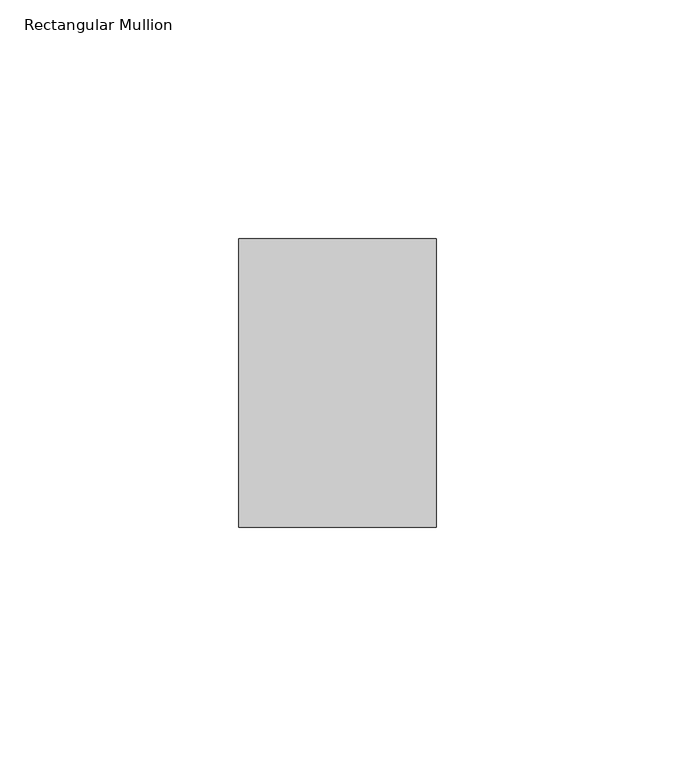
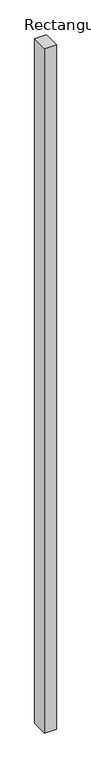
"""IFC4 building model written with IfcOpenShell, lengths in millimetres: member geometry, Rectangular Mullion."""

from ifc_helpers import new_model, si_unit, frame, origin, place, context, project, spatial, polyline, outline, extrude, source, transform, mapped, element, save


def rectangular_mullion_8e15d1a5(model_context):
    return source(origin(), model_context, "Body", "SweptSolid", [
        extrude(outline(polyline([(0.0, 50.8), (0.0, -9.525), (-41.275, -9.525), (-41.275, 50.8), (0.0, 50.8)])), frame((0.0, 0.0, -2549.525), z_axis=(0.0, 0.0, 1.0), x_axis=(1.0, 0.0, 0.0)), (0.0, 0.0, 1.0), 2549.525),
    ])


if __name__ == "__main__":
    model = new_model("IFC4")
    model_context = context("Model", 3, world=origin())
    ifc_project = project(units=[si_unit("LENGTHUNIT", "METRE", prefix="MILLI")], contexts=[model_context])
    site = spatial("IfcSite", under=ifc_project)
    building = spatial("IfcBuilding", under=site)
    placement = place(None, origin())
    rectangular_mullion_shape = rectangular_mullion_8e15d1a5(model_context)
    element("IfcMember", 1, ObjectType="Rectangular Mullion", at=placement, inside=building, context=model_context, shape_type="MappedRepresentation", body=[
        mapped(rectangular_mullion_shape, transform((0.0, 0.0, 0.0), x_axis=(1.0, 0.0, 0.0), y_axis=(0.0, 1.0, 0.0), z_axis=(0.0, 0.0, 1.0))),
    ])
    save(model, "model.ifc")
